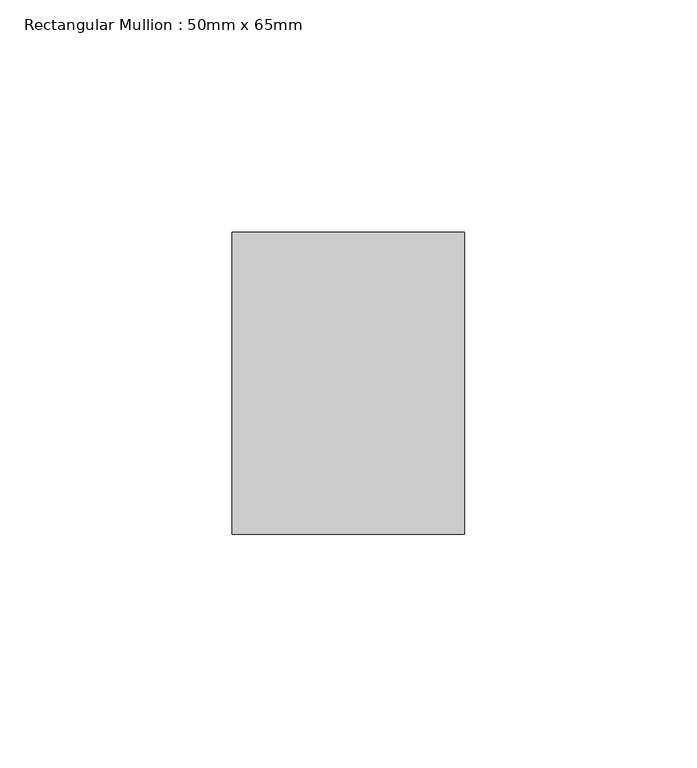
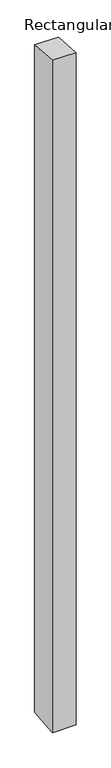
"""IFC4 building model written with IfcOpenShell, lengths in millimetres: member geometry, Rectangular Mullion : 50mm x 65mm."""

from ifc_helpers import new_model, si_unit, origin, place, context, project, spatial, faceted_brep, source, transform, mapped, element, save


def rectangular_mullion_50mm_x_65mm_e5d233b3(model_context):
    return source(origin(), model_context, "Body", "Brep", [
        faceted_brep([(-25.0, 32.5, -2.4319562), (25.0, 32.5, -2.4319429), (25.0, 32.5, -1497.0088607), (-25.0, 32.5, -1497.0088443), (-25.0, -32.5, 2.4319429), (-25.0, -32.5, -1502.9911563), (25.0, -32.5, 2.4319562), (25.0, -32.5, -1502.9911727)], [[[0, 1, 2, 3]], [[4, 0, 3, 5]], [[6, 4, 5, 7]], [[1, 6, 7, 2]], [[1, 0, 4, 6]], [[2, 7, 5, 3]]]),
    ])


if __name__ == "__main__":
    model = new_model("IFC4")
    model_context = context("Model", 3, world=origin())
    ifc_project = project(units=[si_unit("LENGTHUNIT", "METRE", prefix="MILLI")], contexts=[model_context])
    site = spatial("IfcSite", under=ifc_project)
    building = spatial("IfcBuilding", under=site)
    placement = place(None, origin())
    rectangular_mullion_50mm_x_65mm_shape = rectangular_mullion_50mm_x_65mm_e5d233b3(model_context)
    element("IfcMember", 1, ObjectType="Rectangular Mullion : 50mm x 65mm", at=placement, inside=building, context=model_context, shape_type="MappedRepresentation", body=[
        mapped(rectangular_mullion_50mm_x_65mm_shape, transform((0.0, 0.0, 0.0), x_axis=(1.0, 0.0, 0.0), y_axis=(0.0, 1.0, 0.0), z_axis=(0.0, 0.0, 1.0))),
    ])
    save(model, "model.ifc")
